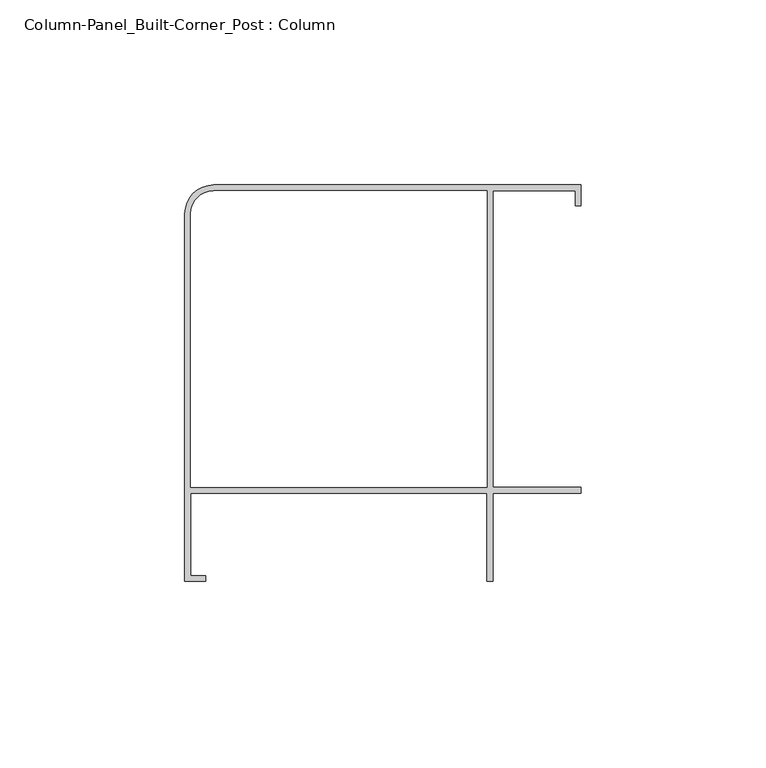
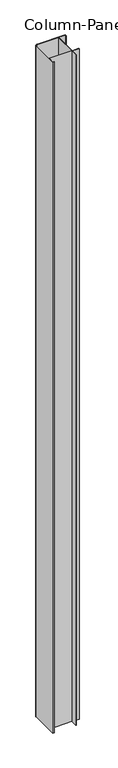
"""IFC4 building model written with IfcOpenShell, lengths in millimetres: column geometry, Column-Panel_Built-Corner_Post : Column."""

from ifc_helpers import new_model, si_unit, point, frame, frame_2d, origin, place, context, project, spatial, polyline, circle_curve, trimmed, segment, composite_curve, outline, extrude, source, transform, mapped, element, save


def column_panel_built_corner_post_column_5000cbf0(model_context):
    return source(origin(), model_context, "Body", "SweptSolid", [
        extrude(outline(composite_curve([segment(trimmed(circle_curve(frame_2d((-35.915533, 35.921883)), 7.740717), [point((-43.65625, 35.921883))], [point((-35.915533, 43.6626))], False, "CARTESIAN"), True, "CONTINUOUS"), segment(polyline([(-35.915533, 43.6626), (63.5, 43.6626), (63.5, 38.1), (61.9125, 38.1), (61.9125, 42.0751), (39.6875, 42.0751), (39.6875, -38.1), (63.5, -38.1), (63.5, -39.6875), (39.6875, -39.6875), (39.6875, -63.5), (38.1, -63.5), (38.1, -39.6875), (-42.06875, -39.6875), (-42.06875, -61.9125), (-38.1, -61.9125), (-38.1, -63.5), (-43.65625, -63.5), (-43.65625, 35.921883)]), True, "CONTINUOUS")], self_intersect=False), holes=[composite_curve([segment(trimmed(circle_curve(frame_2d((-35.915533, 35.921883)), 6.153217), [point((-35.915533, 42.0751))], [point((-42.06875, 35.921883))], True, "CARTESIAN"), True, "CONTINUOUS"), segment(polyline([(-42.06875, 35.921883), (-42.06875, -38.1), (38.1, -38.1), (38.1, 42.0751), (-35.915533, 42.0751)]), True, "CONTINUOUS")], self_intersect=False)]), frame((0.0, 0.0, 203.2), z_axis=(0.0, 0.0, 1.0), x_axis=(1.0, 0.0, 0.0)), (0.0, 0.0, 1.0), 2491.0288),
    ])


if __name__ == "__main__":
    model = new_model("IFC4")
    model_context = context("Model", 3, world=origin())
    ifc_project = project(units=[si_unit("LENGTHUNIT", "METRE", prefix="MILLI")], contexts=[model_context])
    site = spatial("IfcSite", under=ifc_project)
    building = spatial("IfcBuilding", under=site)
    placement = place(None, origin())
    column_panel_built_corner_post_column_shape = column_panel_built_corner_post_column_5000cbf0(model_context)
    element("IfcColumn", 1, ObjectType="Column-Panel_Built-Corner_Post : Column", at=placement, inside=building, context=model_context, shape_type="MappedRepresentation", body=[
        mapped(column_panel_built_corner_post_column_shape, transform((0.0, 0.0, 0.0), x_axis=(1.0, 0.0, 0.0), y_axis=(0.0, 1.0, 0.0), z_axis=(0.0, 0.0, 1.0))),
    ])
    save(model, "model.ifc")
